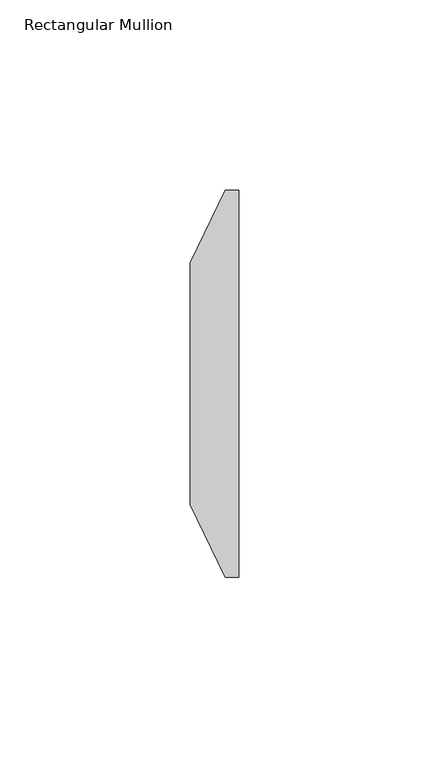
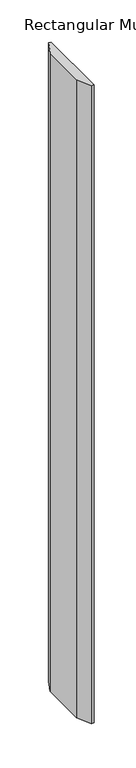
"""IFC4 building model written with IfcOpenShell, lengths in millimetres: member geometry, Rectangular Mullion."""

from ifc_helpers import new_model, si_unit, frame, origin, place, context, project, spatial, polyline, outline, extrude, source, transform, mapped, element, save


def rectangular_mullion_25bf5f97(model_context):
    return source(origin(), model_context, "Body", "SweptSolid", [
        extrude(outline(polyline([(0.0, -12.7), (0.0, -114.3), (-3.4963666, -114.3), (-12.7, -95.2754762), (-12.7, -31.7245216), (-3.4963578, -12.7), (0.0, -12.7)])), frame((0.0, 0.0, -923.925), z_axis=(0.0, 0.0, 1.0), x_axis=(1.0, 0.0, 0.0)), (0.0, 0.0, 1.0), 923.925),
    ])


if __name__ == "__main__":
    model = new_model("IFC4")
    model_context = context("Model", 3, world=origin())
    ifc_project = project(units=[si_unit("LENGTHUNIT", "METRE", prefix="MILLI")], contexts=[model_context])
    site = spatial("IfcSite", under=ifc_project)
    building = spatial("IfcBuilding", under=site)
    placement = place(None, origin())
    rectangular_mullion_shape = rectangular_mullion_25bf5f97(model_context)
    element("IfcMember", 1, ObjectType="Rectangular Mullion", at=placement, inside=building, context=model_context, shape_type="MappedRepresentation", body=[
        mapped(rectangular_mullion_shape, transform((0.0, 0.0, 0.0), x_axis=(1.0, 0.0, 0.0), y_axis=(0.0, 1.0, 0.0), z_axis=(0.0, 0.0, 1.0))),
    ])
    save(model, "model.ifc")
